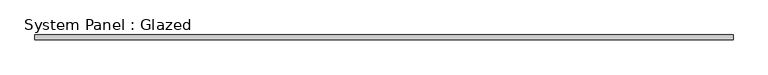
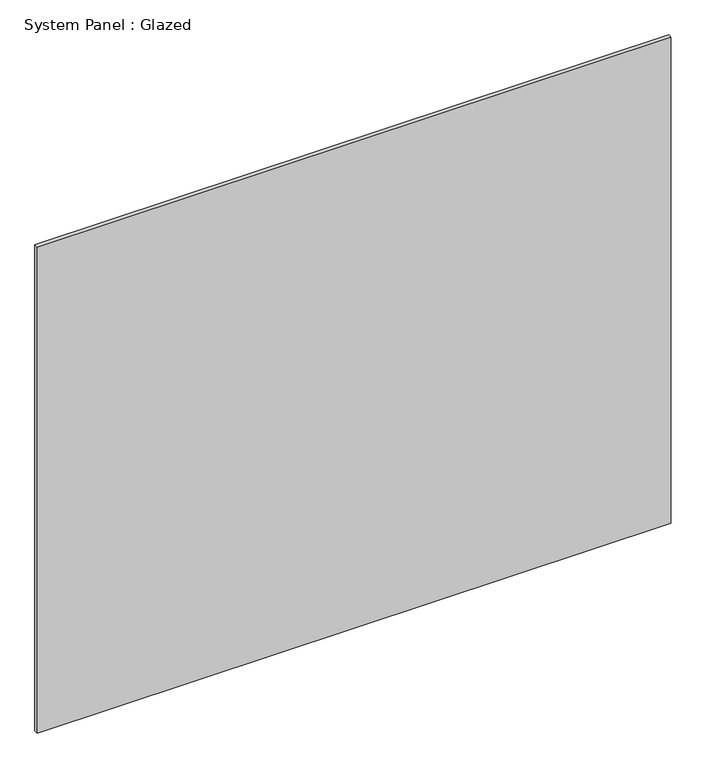
"""IFC4 building model written with IfcOpenShell, lengths in millimetres: plate geometry, System Panel : Glazed."""

from ifc_helpers import new_model, si_unit, origin, origin_with_axes, place, context, project, spatial, polyline, outline, extrude, source, transform, mapped, element, save


def system_panel_glazed_79da62c6(model_context):
    return source(origin(), model_context, "Body", "SweptSolid", [
        extrude(outline(polyline([(1852.1499634, 24.5), (-1852.1499634, 24.5), (-1852.1499634, 49.5), (1852.1499634, 49.5), (1852.1499634, 24.5)])), origin_with_axes(), (0.0, 0.0, 1.0), 3000.0),
    ])


if __name__ == "__main__":
    model = new_model("IFC4")
    model_context = context("Model", 3, world=origin())
    ifc_project = project(units=[si_unit("LENGTHUNIT", "METRE", prefix="MILLI")], contexts=[model_context])
    site = spatial("IfcSite", under=ifc_project)
    building = spatial("IfcBuilding", under=site)
    placement = place(None, origin())
    system_panel_glazed_shape = system_panel_glazed_79da62c6(model_context)
    element("IfcPlate", 1, ObjectType="System Panel : Glazed", at=placement, inside=building, context=model_context, shape_type="MappedRepresentation", body=[
        mapped(system_panel_glazed_shape, transform((0.0, 0.0, 0.0), x_axis=(1.0, 0.0, 0.0), y_axis=(0.0, 1.0, 0.0), z_axis=(0.0, 0.0, 1.0))),
    ])
    save(model, "model.ifc")
